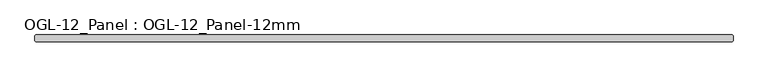
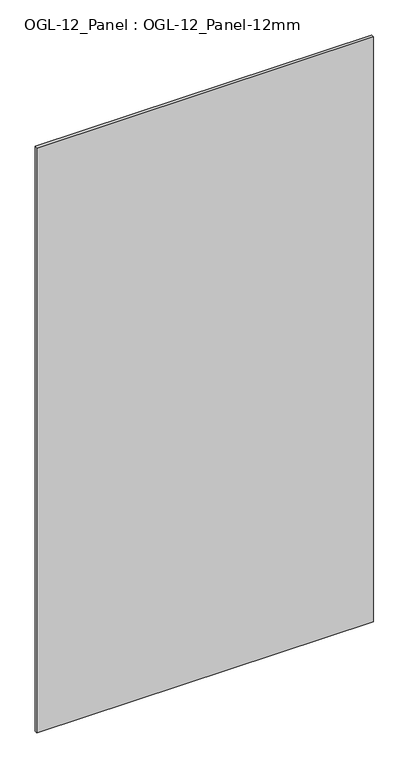
"""IFC4 building model written with IfcOpenShell, lengths in millimetres: plate geometry, OGL-12_Panel : OGL-12_Panel-12mm."""

from ifc_helpers import new_model, si_unit, origin, origin_with_axes, place, context, project, spatial, polyline, outline, extrude, source, transform, mapped, element, save


def ogl_12_panel_ogl_12_panel_12mm_c2b565ba(model_context):
    return source(origin(), model_context, "Body", "SweptSolid", [
        extrude(outline(polyline([(636.965349, -34.925), (-636.965349, -34.925), (-638.552849, -33.3375), (-638.552849, -23.8125), (-636.965349, -22.225), (636.965349, -22.225), (638.552849, -23.8125), (638.552849, -33.3375), (636.965349, -34.925)])), origin_with_axes(), (0.0, 0.0, 1.0), 2339.9738578),
    ])


if __name__ == "__main__":
    model = new_model("IFC4")
    model_context = context("Model", 3, world=origin())
    ifc_project = project(units=[si_unit("LENGTHUNIT", "METRE", prefix="MILLI")], contexts=[model_context])
    site = spatial("IfcSite", under=ifc_project)
    building = spatial("IfcBuilding", under=site)
    placement = place(None, origin())
    ogl_12_panel_ogl_12_panel_12mm_shape = ogl_12_panel_ogl_12_panel_12mm_c2b565ba(model_context)
    element("IfcPlate", 1, ObjectType="OGL-12_Panel : OGL-12_Panel-12mm", at=placement, inside=building, context=model_context, shape_type="MappedRepresentation", body=[
        mapped(ogl_12_panel_ogl_12_panel_12mm_shape, transform((0.0, 0.0, 0.0), x_axis=(1.0, 0.0, 0.0), y_axis=(0.0, 1.0, 0.0), z_axis=(0.0, 0.0, 1.0))),
    ])
    save(model, "model.ifc")
